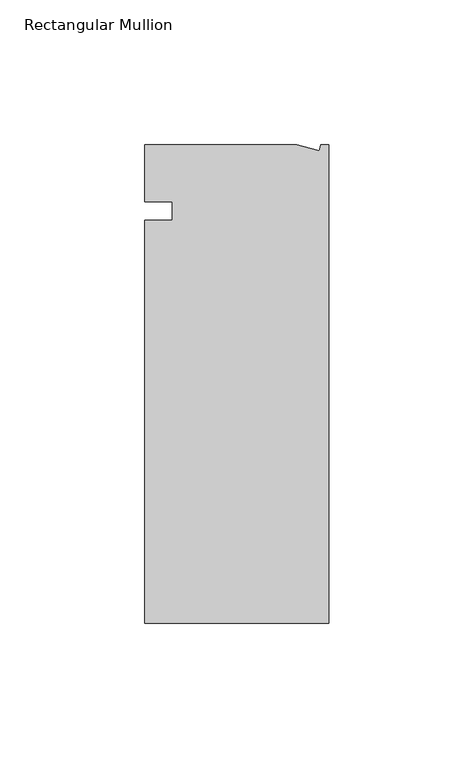
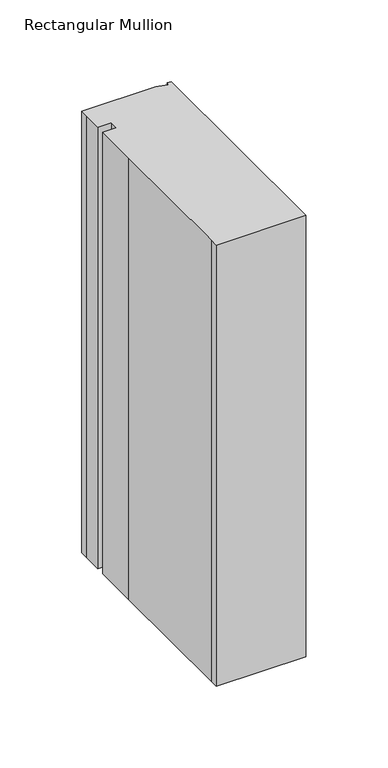
"""IFC4 building model written with IfcOpenShell, lengths in millimetres: member geometry, Rectangular Mullion."""

from ifc_helpers import new_model, si_unit, frame, origin, place, context, project, spatial, polyline, outline, extrude, source, transform, mapped, element, save


def rectangular_mullion_c7431c63(model_context):
    return source(origin(), model_context, "Body", "SweptSolid", [
        extrude(outline(polyline([(-11.1265412, 19.6597595), (-3.3457217, 17.5748952), (-2.787084, 19.6597595), (0.0, 19.6597595), (0.0, -145.4402405), (-63.5, -145.4402405), (-63.5, -139.0912527), (-63.5, -38.3358837), (-63.5, -6.35), (-53.975, -6.35), (-53.975, 0.0), (-63.5, 0.0), (-63.5, 13.6146679), (-63.5, 19.6597595), (-11.1265412, 19.6597595)])), frame((0.0, 0.0, -330.2), z_axis=(0.0, 0.0, 1.0), x_axis=(1.0, 0.0, 0.0)), (0.0, 0.0, 1.0), 330.2),
    ])


if __name__ == "__main__":
    model = new_model("IFC4")
    model_context = context("Model", 3, world=origin())
    ifc_project = project(units=[si_unit("LENGTHUNIT", "METRE", prefix="MILLI")], contexts=[model_context])
    site = spatial("IfcSite", under=ifc_project)
    building = spatial("IfcBuilding", under=site)
    placement = place(None, origin())
    rectangular_mullion_shape = rectangular_mullion_c7431c63(model_context)
    element("IfcMember", 1, ObjectType="Rectangular Mullion", at=placement, inside=building, context=model_context, shape_type="MappedRepresentation", body=[
        mapped(rectangular_mullion_shape, transform((0.0, 0.0, 0.0), x_axis=(1.0, 0.0, 0.0), y_axis=(0.0, 1.0, 0.0), z_axis=(0.0, 0.0, 1.0))),
    ])
    save(model, "model.ifc")
